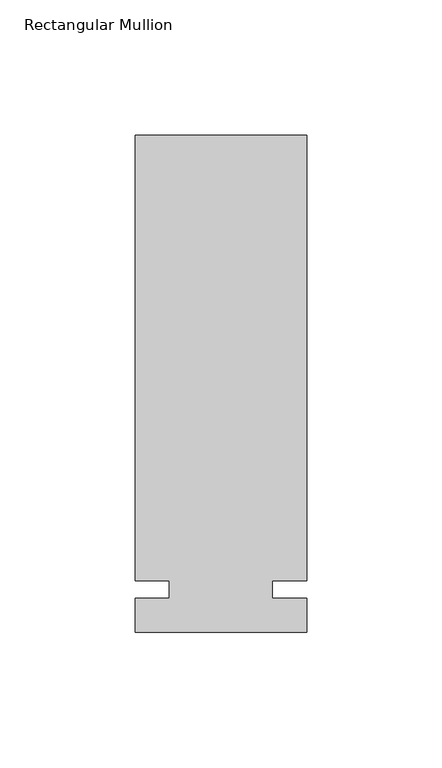
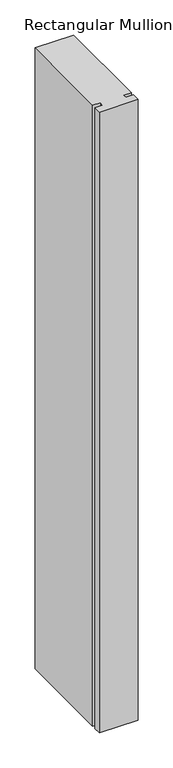
"""IFC4 building model written with IfcOpenShell, lengths in millimetres: member geometry, Rectangular Mullion."""

from ifc_helpers import new_model, si_unit, frame, origin, place, context, project, spatial, polyline, outline, extrude, source, transform, mapped, element, save


def rectangular_mullion_19cd0fb1(model_context):
    return source(origin(), model_context, "Body", "SweptSolid", [
        extrude(outline(polyline([(36.0844027, 168.275), (36.0844027, 3.175), (23.3826322, 3.175), (23.3826322, -3.175), (36.0844027, -3.175), (36.0844027, -15.875), (-27.4155973, -15.875), (-27.4155973, -3.175), (-14.7155973, -3.175), (-14.7155973, 3.175), (-27.4155973, 3.175), (-27.4155973, 168.275), (36.0844027, 168.275)])), frame((0.0, 0.0, -1080.6594027), z_axis=(0.0, 0.0, 1.0), x_axis=(1.0, 0.0, 0.0)), (0.0, 0.0, 1.0), 1080.6594027),
    ])


if __name__ == "__main__":
    model = new_model("IFC4")
    model_context = context("Model", 3, world=origin())
    ifc_project = project(units=[si_unit("LENGTHUNIT", "METRE", prefix="MILLI")], contexts=[model_context])
    site = spatial("IfcSite", under=ifc_project)
    building = spatial("IfcBuilding", under=site)
    placement = place(None, origin())
    rectangular_mullion_shape = rectangular_mullion_19cd0fb1(model_context)
    element("IfcMember", 1, ObjectType="Rectangular Mullion", at=placement, inside=building, context=model_context, shape_type="MappedRepresentation", body=[
        mapped(rectangular_mullion_shape, transform((0.0, 0.0, 0.0), x_axis=(1.0, 0.0, 0.0), y_axis=(0.0, 1.0, 0.0), z_axis=(0.0, 0.0, 1.0))),
    ])
    save(model, "model.ifc")
